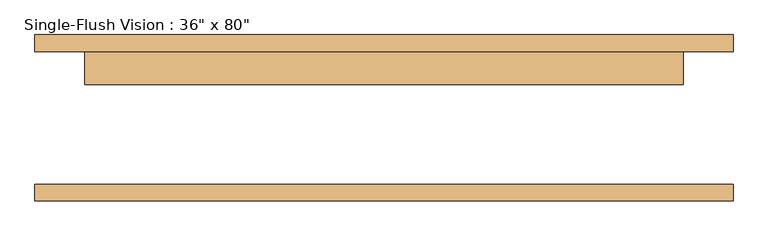
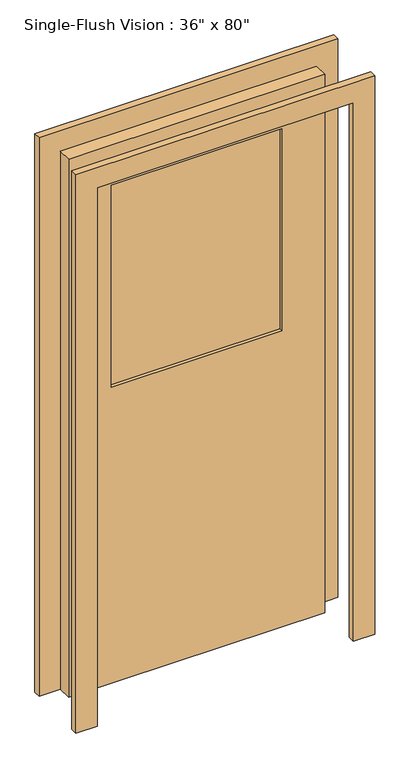
"""IFC4 building model written with IfcOpenShell, lengths in millimetres: door geometry."""

from ifc_helpers import new_model, si_unit, frame, origin, place, context, project, spatial, polyline, outline, extrude, source, transform, mapped, element, save


def door_b81169da(model_context):
    return source(origin(), model_context, "Body", "SweptSolid", [
        extrude(outline(polyline([(2108.2, -533.4), (0.0, -533.4), (0.0, -457.2), (2032.0, -457.2), (2032.0, 457.2), (0.0, 457.2), (0.0, 533.4), (2108.2, 533.4), (2108.2, -533.4)])), frame((0.0, 101.6, 0.0), z_axis=(0.0, 1.0, 0.0), x_axis=(0.0, 0.0, 1.0)), (0.0, 0.0, 1.0), 25.4),
        extrude(outline(polyline([(2032.0, 457.2), (0.0, 457.2), (0.0, 533.4), (2108.2, 533.4), (2108.2, -533.4), (0.0, -533.4), (0.0, -457.2), (2032.0, -457.2), (2032.0, 457.2)])), frame((0.0, -127.0, 0.0), z_axis=(0.0, 1.0, 0.0), x_axis=(0.0, 0.0, 1.0)), (0.0, 0.0, 1.0), 25.4),
        extrude(outline(polyline([(304.8, 63.5), (-304.8, 63.5), (-304.8, 69.85), (304.8, 69.85), (304.8, 63.5)])), frame((0.0, 0.0, 1117.6), z_axis=(0.0, 0.0, 1.0), x_axis=(1.0, 0.0, 0.0)), (0.0, 0.0, 1.0), 762.0),
        extrude(outline(polyline([(304.8, 82.55), (-304.8, 82.55), (-304.8, 88.9), (304.8, 88.9), (304.8, 82.55)])), frame((0.0, 0.0, 1117.6), z_axis=(0.0, 0.0, 1.0), x_axis=(1.0, 0.0, 0.0)), (0.0, 0.0, 1.0), 762.0),
        extrude(outline(polyline([(2032.0, -457.2), (0.0, -457.2), (0.0, 457.2), (2032.0, 457.2), (2032.0, -457.2)]), holes=[polyline([(1879.6, -304.8), (1879.6, 304.8), (1117.6, 304.8), (1117.6, -304.8), (1879.6, -304.8)])]), frame((0.0, 50.8, 0.0), z_axis=(0.0, 1.0, 0.0), x_axis=(0.0, 0.0, 1.0)), (0.0, 0.0, 1.0), 50.8),
    ])


if __name__ == "__main__":
    model = new_model("IFC4")
    model_context = context("Model", 3, world=origin())
    ifc_project = project(units=[si_unit("LENGTHUNIT", "METRE", prefix="MILLI")], contexts=[model_context])
    site = spatial("IfcSite", under=ifc_project)
    building = spatial("IfcBuilding", under=site)
    placement = place(None, origin())
    door_shape = door_b81169da(model_context)
    element("IfcDoor", 1, ObjectType="Single-Flush Vision : 36\" x 80\"", at=placement, inside=building, context=model_context, shape_type="MappedRepresentation", body=[
        mapped(door_shape, transform((0.0, 0.0, 0.0), x_axis=(1.0, 0.0, 0.0), y_axis=(0.0, 1.0, 0.0), z_axis=(0.0, 0.0, 1.0))),
    ])
    save(model, "model.ifc")
